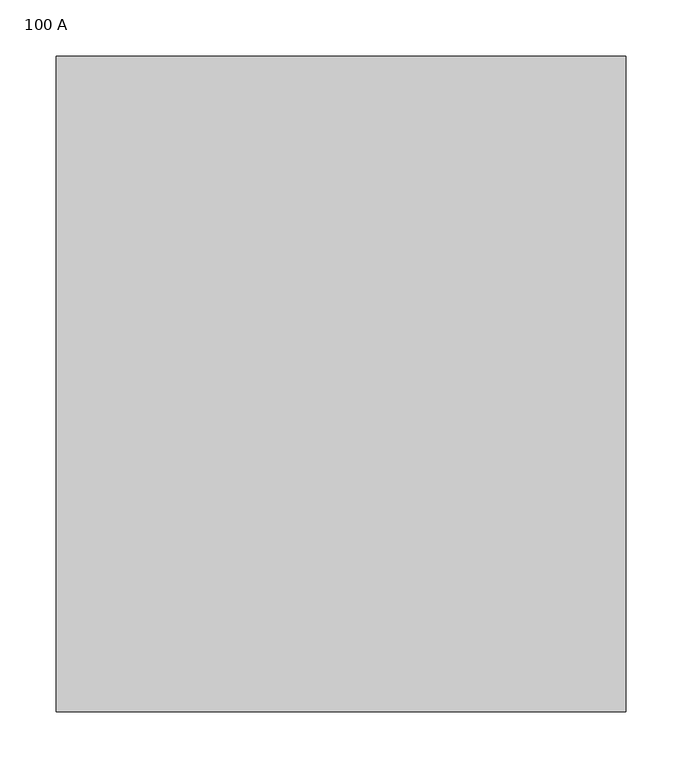
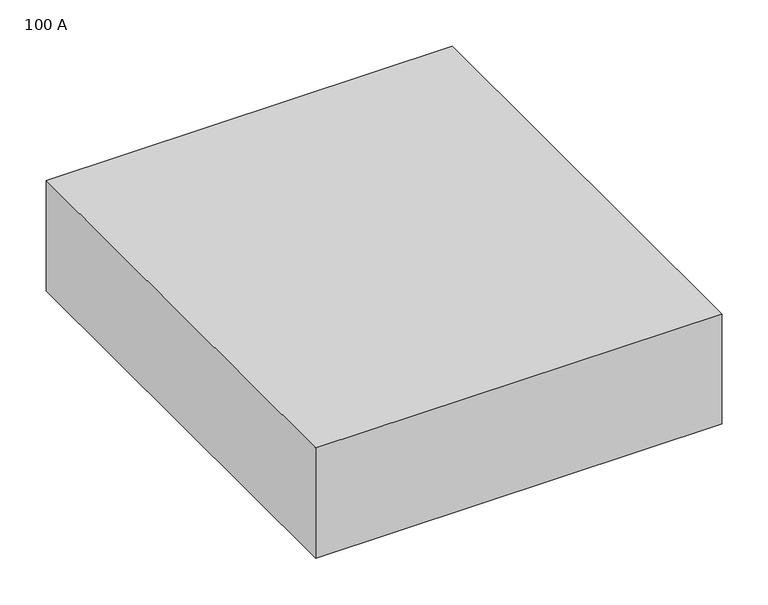
"""IFC4 building model written with IfcOpenShell, lengths in millimetres: proxy geometry, 100 A."""

from ifc_helpers import new_model, si_unit, frame, origin, place, context, project, spatial, polyline, outline, extrude, source, transform, mapped, element, save


def proxy_100_a_804c1392(model_context):
    return source(origin(), model_context, "Body", "SweptSolid", [
        extrude(outline(polyline([(254.0, 292.1), (254.0, -292.1), (-254.0, -292.1), (-254.0, 292.1), (254.0, 292.1)])), frame((0.0, 0.0, -146.05), z_axis=(0.0, 0.0, 1.0), x_axis=(1.0, 0.0, 0.0)), (0.0, 0.0, 1.0), 146.05),
    ])


if __name__ == "__main__":
    model = new_model("IFC4")
    model_context = context("Model", 3, world=origin())
    ifc_project = project(units=[si_unit("LENGTHUNIT", "METRE", prefix="MILLI")], contexts=[model_context])
    site = spatial("IfcSite", under=ifc_project)
    building = spatial("IfcBuilding", under=site)
    placement = place(None, origin())
    proxy_100_a_shape = proxy_100_a_804c1392(model_context)
    element("IfcBuildingElementProxy", 1, Name="100 A", ObjectType="100 A", at=placement, inside=building, context=model_context, shape_type="MappedRepresentation", body=[
        mapped(proxy_100_a_shape, transform((0.0, 0.0, 0.0), x_axis=(1.0, 0.0, 0.0), y_axis=(0.0, 1.0, 0.0), z_axis=(0.0, 0.0, 1.0))),
    ])
    save(model, "model.ifc")
